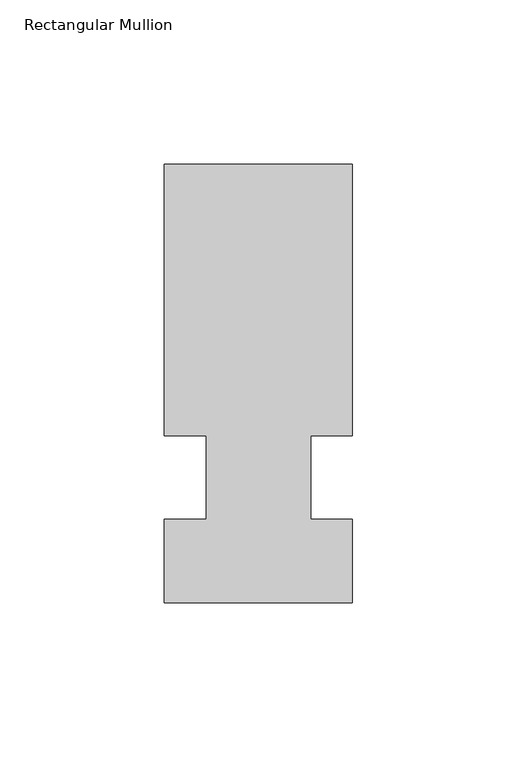
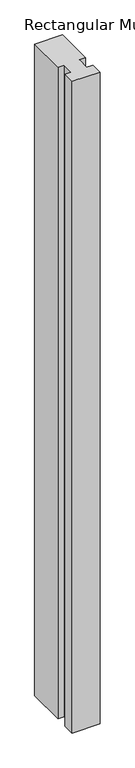
"""IFC4 building model written with IfcOpenShell, lengths in millimetres: member geometry, Rectangular Mullion."""

from ifc_helpers import new_model, si_unit, frame, origin, place, context, project, spatial, polyline, outline, extrude, source, transform, mapped, element, save


def rectangular_mullion_90fb5056(model_context):
    return source(origin(), model_context, "Body", "SweptSolid", [
        extrude(outline(polyline([(32.9094027, 95.25), (32.9094027, 12.7), (20.2076322, 12.7), (20.2076322, -12.7), (32.9094027, -12.7), (32.9094027, -38.1), (-24.2405973, -38.1), (-24.2405973, -12.7), (-11.5405973, -12.7), (-11.5405973, 12.7), (-24.2405973, 12.7), (-24.2405973, 95.25), (32.9094027, 95.25)])), frame((0.0, 0.0, -1416.1510693), z_axis=(0.0, 0.0, 1.0), x_axis=(1.0, 0.0, 0.0)), (0.0, 0.0, 1.0), 1416.1510693),
    ])


if __name__ == "__main__":
    model = new_model("IFC4")
    model_context = context("Model", 3, world=origin())
    ifc_project = project(units=[si_unit("LENGTHUNIT", "METRE", prefix="MILLI")], contexts=[model_context])
    site = spatial("IfcSite", under=ifc_project)
    building = spatial("IfcBuilding", under=site)
    placement = place(None, origin())
    rectangular_mullion_shape = rectangular_mullion_90fb5056(model_context)
    element("IfcMember", 1, ObjectType="Rectangular Mullion", at=placement, inside=building, context=model_context, shape_type="MappedRepresentation", body=[
        mapped(rectangular_mullion_shape, transform((0.0, 0.0, 0.0), x_axis=(1.0, 0.0, 0.0), y_axis=(0.0, 1.0, 0.0), z_axis=(0.0, 0.0, 1.0))),
    ])
    save(model, "model.ifc")
